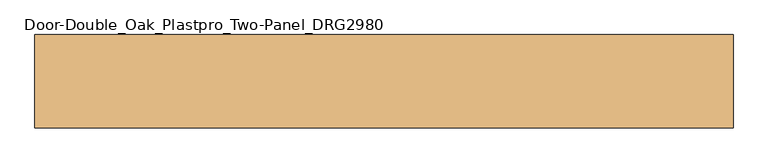
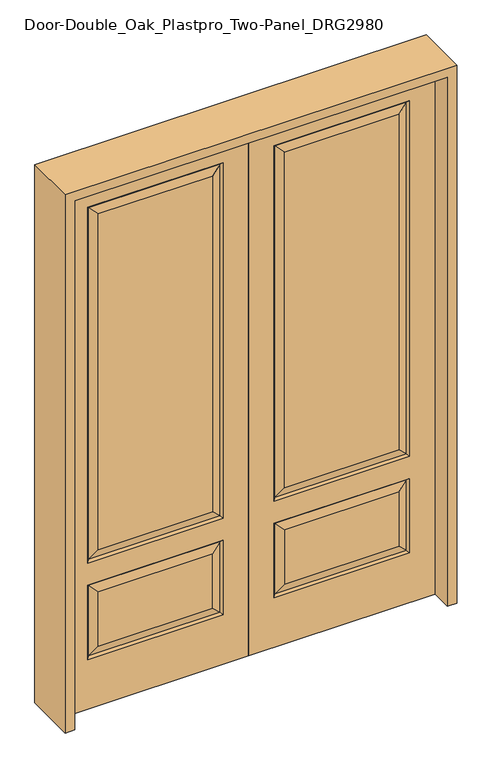
"""IFC4 building model written with IfcOpenShell, lengths in millimetres: door geometry, Door-Double_Oak_Plastpro_Two-Panel_DRG2980."""

from ifc_helpers import new_model, si_unit, frame, origin, place, context, project, spatial, polyline, outline, extrude, faceted_brep, source, transform, mapped, element, save


def door_double_oak_plastpro_two_panel_drg2980_366157c1(model_context):
    return source(origin(), model_context, "Body", "SolidModel", [
        faceted_brep([(692.5796986, -11.6572439, 562.4046986), (120.2203014, -11.6572439, 562.4046986), (157.2775452, -20.6375, 525.3474548), (655.5224548, -20.6375, 525.3474548), (157.2775452, -20.6375, 274.7525452), (120.2203014, -11.6572439, 237.6953014), (0.0, 20.6375, 0.0), (812.8, 20.6375, 0.0), (812.8, -20.6375, 0.0), (0.0, -20.6375, 0.0), (0.0, 20.6375, 2438.4), (0.0, -20.6375, 2438.4), (812.8, -20.6375, 2438.4), (111.2400452, -20.6375, 228.7150452), (111.2400452, -20.6375, 571.3849548), (701.5599548, -20.6375, 571.3849548), (701.5599548, -20.6375, 228.7150452), (111.2400452, -20.6375, 673.2150452), (111.2400452, -20.6375, 2311.2849548), (701.5599548, -20.6375, 2311.2849548), (701.5599548, -20.6375, 673.2150452), (655.5224548, -20.6375, 274.7525452), (655.5224548, -20.6375, 719.2525452), (655.5224548, -20.6375, 2265.2474548), (157.2775452, -20.6375, 2265.2474548), (157.2775452, -20.6375, 719.2525452), (655.5224548, 20.6375, 274.7525452), (655.5224548, 20.6375, 525.3474548), (692.5796986, 11.6572439, 562.4046986), (692.5796986, 11.6572439, 237.6953014), (701.5599548, 20.6375, 571.3849548), (701.5599548, 20.6375, 228.7150452), (120.2203014, 11.6572439, 237.6953014), (120.2203014, 11.6572439, 562.4046986), (157.2775452, 20.6375, 525.3474548), (157.2775452, 20.6375, 274.7525452), (120.2203014, 11.6572439, 682.1953014), (157.2775452, 20.6375, 719.2525452), (655.5224548, 20.6375, 719.2525452), (692.5796986, 11.6572439, 682.1953014), (655.5224548, 20.6375, 2265.2474548), (692.5796986, 11.6572439, 2302.3046986), (111.2400452, 20.6375, 571.3849548), (692.5796986, -11.6572439, 237.6953014), (812.8, 20.6375, 2438.4), (111.2400452, 20.6375, 228.7150452), (701.5599548, 20.6375, 673.2150452), (701.5599548, 20.6375, 2311.2849548), (111.2400452, 20.6375, 2311.2849548), (111.2400452, 20.6375, 673.2150452), (157.2775452, 20.6375, 2265.2474548), (120.2203014, 11.6572439, 2302.3046986), (120.2203014, -11.6572439, 682.1953014), (692.5796986, -11.6572439, 682.1953014), (692.5796986, -11.6572439, 2302.3046986), (120.2203014, -11.6572439, 2302.3046986)], [[[0, 1, 2, 3]], [[4, 2, 1, 5]], [[6, 7, 8, 9]], [[10, 6, 9, 11]], [[11, 9, 8, 12], [13, 14, 15, 16], [17, 18, 19, 20]], [[21, 3, 2, 4]], [[22, 23, 24, 25]], [[26, 27, 28, 29]], [[29, 28, 30, 31]], [[32, 33, 34, 35]], [[36, 37, 38, 39]], [[38, 40, 41, 39]], [[28, 33, 42, 30]], [[16, 15, 0, 43]], [[15, 14, 1, 0]], [[12, 8, 7, 44]], [[44, 7, 6, 10], [31, 30, 42, 45], [46, 47, 48, 49]], [[37, 50, 40, 38]], [[35, 34, 27, 26]], [[10, 11, 12, 44]], [[49, 48, 51, 36]], [[29, 31, 45, 32]], [[36, 51, 50, 37]], [[45, 42, 33, 32]], [[39, 46, 49, 36]], [[39, 41, 47, 46]], [[32, 35, 26, 29]], [[27, 34, 33, 28]], [[52, 17, 20, 53]], [[20, 19, 54, 53]], [[52, 55, 18, 17]], [[53, 22, 25, 52]], [[25, 24, 55, 52]], [[53, 54, 23, 22]], [[5, 13, 16, 43]], [[5, 1, 14, 13]], [[43, 21, 4, 5]], [[43, 0, 3, 21]], [[19, 18, 55, 54]], [[54, 55, 24, 23]], [[40, 50, 51, 41]], [[41, 51, 48, 47]]]),
        faceted_brep([(-692.5796986, -11.6572439, 562.4046986), (-655.5224548, -20.6375, 525.3474548), (-157.2775452, -20.6375, 525.3474548), (-120.2203014, -11.6572439, 562.4046986), (-157.2775452, -20.6375, 274.7525452), (-120.2203014, -11.6572439, 237.6953014), (0.0, 20.6375, 0.0), (0.0, -20.6375, 0.0), (-812.8, -20.6375, 0.0), (-812.8, 20.6375, 0.0), (0.0, 20.6375, 2438.4), (0.0, -20.6375, 2438.4), (-655.5224548, -20.6375, 719.2525452), (-157.2775452, -20.6375, 719.2525452), (-157.2775452, -20.6375, 2265.2474548), (-655.5224548, -20.6375, 2265.2474548), (-812.8, -20.6375, 2438.4), (-111.2400452, -20.6375, 673.2150452), (-701.5599548, -20.6375, 673.2150452), (-701.5599548, -20.6375, 2311.2849548), (-111.2400452, -20.6375, 2311.2849548), (-111.2400452, -20.6375, 228.7150452), (-701.5599548, -20.6375, 228.7150452), (-701.5599548, -20.6375, 571.3849548), (-111.2400452, -20.6375, 571.3849548), (-655.5224548, -20.6375, 274.7525452), (-655.5224548, 20.6375, 274.7525452), (-692.5796986, 11.6572439, 237.6953014), (-692.5796986, 11.6572439, 562.4046986), (-655.5224548, 20.6375, 525.3474548), (-701.5599548, 20.6375, 228.7150452), (-701.5599548, 20.6375, 571.3849548), (-120.2203014, 11.6572439, 237.6953014), (-157.2775452, 20.6375, 274.7525452), (-157.2775452, 20.6375, 525.3474548), (-120.2203014, 11.6572439, 562.4046986), (-120.2203014, 11.6572439, 682.1953014), (-692.5796986, 11.6572439, 682.1953014), (-655.5224548, 20.6375, 719.2525452), (-157.2775452, 20.6375, 719.2525452), (-692.5796986, 11.6572439, 2302.3046986), (-655.5224548, 20.6375, 2265.2474548), (-111.2400452, 20.6375, 571.3849548), (-692.5796986, -11.6572439, 237.6953014), (-812.8, 20.6375, 2438.4), (-111.2400452, 20.6375, 228.7150452), (-701.5599548, 20.6375, 673.2150452), (-111.2400452, 20.6375, 673.2150452), (-111.2400452, 20.6375, 2311.2849548), (-701.5599548, 20.6375, 2311.2849548), (-157.2775452, 20.6375, 2265.2474548), (-120.2203014, 11.6572439, 2302.3046986), (-120.2203014, -11.6572439, 682.1953014), (-692.5796986, -11.6572439, 682.1953014), (-692.5796986, -11.6572439, 2302.3046986), (-120.2203014, -11.6572439, 2302.3046986)], [[[0, 1, 2, 3]], [[4, 5, 3, 2]], [[6, 7, 8, 9]], [[10, 11, 7, 6]], [[12, 13, 14, 15]], [[11, 16, 8, 7], [17, 18, 19, 20], [21, 22, 23, 24]], [[25, 4, 2, 1]], [[26, 27, 28, 29]], [[27, 30, 31, 28]], [[32, 33, 34, 35]], [[36, 37, 38, 39]], [[38, 37, 40, 41]], [[28, 31, 42, 35]], [[22, 43, 0, 23]], [[23, 0, 3, 24]], [[16, 44, 9, 8]], [[33, 26, 29, 34]], [[44, 10, 6, 9], [30, 45, 42, 31], [46, 47, 48, 49]], [[39, 38, 41, 50]], [[10, 44, 16, 11]], [[47, 36, 51, 48]], [[27, 32, 45, 30]], [[36, 39, 50, 51]], [[45, 32, 35, 42]], [[37, 36, 47, 46]], [[37, 46, 49, 40]], [[32, 27, 26, 33]], [[29, 28, 35, 34]], [[52, 53, 18, 17]], [[18, 53, 54, 19]], [[52, 17, 20, 55]], [[53, 52, 13, 12]], [[13, 52, 55, 14]], [[53, 12, 15, 54]], [[5, 43, 22, 21]], [[5, 21, 24, 3]], [[43, 5, 4, 25]], [[43, 25, 1, 0]], [[19, 54, 55, 20]], [[54, 15, 14, 55]], [[41, 40, 51, 50]], [[40, 49, 48, 51]]]),
        extrude(outline(polyline([(2479.675, -854.075), (0.0, -854.075), (0.0, -812.8), (2438.4, -812.8), (2438.4, 812.8), (0.0, 812.8), (0.0, 854.075), (2479.675, 854.075), (2479.675, -854.075)])), frame((0.0, -114.3, 0.0), z_axis=(0.0, 1.0, 0.0), x_axis=(0.0, 0.0, 1.0)), (0.0, 0.0, 1.0), 228.6),
    ])


if __name__ == "__main__":
    model = new_model("IFC4")
    model_context = context("Model", 3, world=origin())
    ifc_project = project(units=[si_unit("LENGTHUNIT", "METRE", prefix="MILLI")], contexts=[model_context])
    site = spatial("IfcSite", under=ifc_project)
    building = spatial("IfcBuilding", under=site)
    placement = place(None, origin())
    door_double_oak_plastpro_two_panel_drg2980_shape = door_double_oak_plastpro_two_panel_drg2980_366157c1(model_context)
    element("IfcDoor", 1, ObjectType="Door-Double_Oak_Plastpro_Two-Panel_DRG2980", at=placement, inside=building, context=model_context, shape_type="MappedRepresentation", body=[
        mapped(door_double_oak_plastpro_two_panel_drg2980_shape, transform((0.0, 0.0, 0.0), x_axis=(1.0, 0.0, 0.0), y_axis=(0.0, 1.0, 0.0), z_axis=(0.0, 0.0, 1.0))),
    ])
    save(model, "model.ifc")
